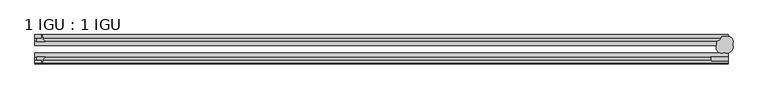
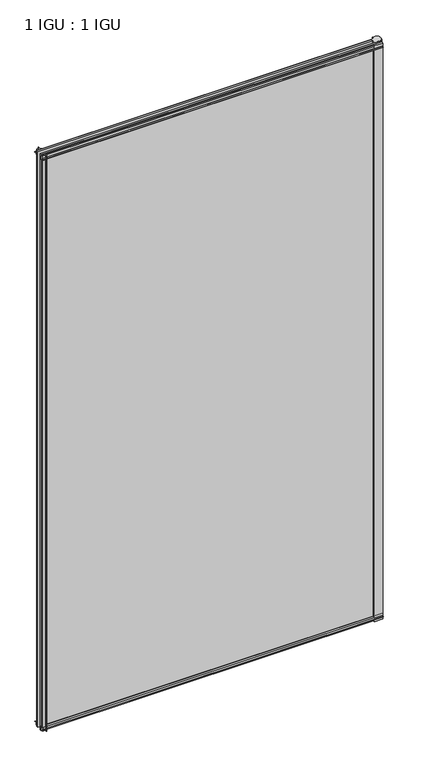
"""IFC4 building model written with IfcOpenShell, lengths in millimetres: plate geometry, 1 IGU : 1 IGU."""

from ifc_helpers import new_model, si_unit, point, frame, frame_2d, origin, place, context, project, spatial, polyline, circle_curve, ellipse_curve, trimmed, segment, composite_curve, outline, extrude, source, transform, mapped, element, save
from ifc_brep_helpers import plane_surface, revolved_surface, extruded_surface, advanced_brep


def plate_1_igu_1_igu_af21363e(model_context):
    return source(origin(), model_context, "Body", "SolidModel", [
        advanced_brep(
        [(575.8672371, -8.6320312, -11.1125), (587.3984483, -21.4885506, -11.1125), (573.7755432, -35.1420622, -11.1125), (561.0820313, -23.0370225, -11.1125), (561.0820313, -16.9195783, -11.1125), (569.1882293, -8.6320313, -11.1125), (575.8672371, -8.6320313, 2033.5875), (569.1882293, -8.6320313, 2033.5875), (561.0820313, -16.9195783, 2033.5875), (561.0820313, -23.0370225, 2033.5875), (573.7755432, -35.1420622, 2033.5875), (587.3984483, -21.4885506, 2033.5875)],
        [
            (0, 1, ellipse_curve(frame((578.4121282, -17.987304, -11.1125), z_axis=(0.0, 0.0, -1.0), x_axis=(0.7071067811865466, 0.7071067811865485, 0.0)), 10.1849898, 9.5495662)),
            (1, 2, ellipse_curve(frame((578.4121282, -26.1459836, -11.1125), z_axis=(0.0, 0.0, -1.0), x_axis=(0.7071067811865464, 0.7071067811865487, 0.0)), 10.1849898, 9.5495662)),
            (2, 3, ellipse_curve(frame((570.2190227, -26.1804094, -11.1125), z_axis=(0.0, 0.0, -1.0), x_axis=(-0.7071067811865506, -0.7071067811865445, 0.0)), 10.1849898, 9.5495662)),
            (3, 4),
            (4, 5, circle_curve(frame((559.3035778, -7.071859, -11.1125), z_axis=(0.0, 0.0, 1.0), x_axis=(1.0, 0.0, 0.0)), 10.0070211)),
            (5, 0),
            (6, 7),
            (7, 8, circle_curve(frame((559.3035778, -7.071859, 2033.5875), z_axis=(0.0, 0.0, -1.0), x_axis=(1.0, 0.0, 0.0)), 10.0070211)),
            (8, 9),
            (9, 10, ellipse_curve(frame((570.2190227, -26.1804094, 2033.5875), z_axis=(0.0, 0.0, 1.0), x_axis=(-0.7071067811865506, -0.7071067811865445, 0.0)), 10.1849898, 9.5495662)),
            (10, 11, ellipse_curve(frame((578.4121282, -26.1459836, 2033.5875), z_axis=(0.0, 0.0, 1.0), x_axis=(0.7071067811865464, 0.7071067811865487, 0.0)), 10.1849898, 9.5495662)),
            (11, 6, ellipse_curve(frame((578.4121282, -17.987304, 2033.5875), z_axis=(0.0, 0.0, 1.0), x_axis=(0.7071067811865466, 0.7071067811865485, 0.0)), 10.1849898, 9.5495662)),
            (0, 6),
            (11, 1),
            (10, 2),
            (9, 3),
            (8, 4),
            (7, 5),
        ],
        [
            plane_surface(frame((580.1320312, -9.6242188, -11.1125), z_axis=(0.0, 0.0, -1.0), x_axis=(0.0, 1.0, 0.0))),
            plane_surface(frame((580.1320312, -9.6242188, 2033.5875), z_axis=(0.0, 0.0, 1.0), x_axis=(0.0, 1.0, 0.0))),
            extruded_surface(trimmed(ellipse_curve(frame((578.4121282, -17.987304, 2033.5875), z_axis=(0.0, 0.0, -1.0), x_axis=(0.7071067811865466, 0.7071067811865485, 0.0)), 10.1849898, 9.5495662), [point((575.8672371, -8.6320312, 2033.5875))], [point((587.3984483, -21.4885506, 2033.5875))], True, "CARTESIAN"), (0.0, 0.0, -2044.7), 2044.7),
            extruded_surface(trimmed(ellipse_curve(frame((578.4121282, -26.1459836, 2033.5875), z_axis=(0.0, 0.0, -1.0), x_axis=(0.7071067811865464, 0.7071067811865487, 0.0)), 10.1849898, 9.5495662), [point((587.3984483, -21.4885506, 2033.5875))], [point((573.7755432, -35.1420622, 2033.5875))], True, "CARTESIAN"), (0.0, 0.0, -2044.7), 2044.7),
            extruded_surface(trimmed(ellipse_curve(frame((570.2190227, -26.1804094, 2033.5875), z_axis=(0.0, 0.0, -1.0), x_axis=(-0.7071067811865506, -0.7071067811865445, 0.0)), 10.1849898, 9.5495662), [point((573.7755432, -35.1420622, 2033.5875))], [point((561.0820313, -23.0370225, 2033.5875))], True, "CARTESIAN"), (0.0, 0.0, -2044.7), 2044.7),
            plane_surface(frame((561.0820313, -23.0370225, -11.1125), z_axis=(-1.0, 0.0, 0.0), x_axis=(0.0, 0.0, 1.0))),
            revolved_surface(polyline([(569.3105989, -7.071859, 2033.5875), (569.3105989, -7.071859, -11.1125)]), (559.3035778, -7.071859, -11.1125), (0.0, 0.0, 1.0)),
            plane_surface(frame((569.1882293, -8.6320313, -11.1125), z_axis=(0.0, 1.0, 0.0), x_axis=(0.0, 0.0, 1.0))),
        ],
        [
            (0, [[1, 2, 3, 4, 5, 6]]),
            (1, [[7, 8, 9, 10, 11, 12]]),
            (2, [[-1, 13, -12, 14]]),
            (3, [[-2, -14, -11, 15]]),
            (4, [[-3, -15, -10, 16]]),
            (5, [[-4, -16, -9, 17]]),
            (6, [[-5, -17, -8, 18]]),
            (7, [[-6, -18, -7, -13]]),
        ],
    ),
        extrude(outline(composite_curve([segment(polyline([(-42.3267187, -8.2068385), (-47.0892187, -8.2068385), (-47.0892187, 0.0), (-53.563779, 0.0)]), True, "CONTINUOUS"), segment(trimmed(circle_curve(frame_2d((-53.0328134, 0.3482823)), 0.635), [point((-53.563779, 0.0))], [point((-53.0575397, 0.9828007))], False, "CARTESIAN"), True, "CONTINUOUS"), segment(trimmed(circle_curve(frame_2d((-54.2310045, 31.0958559)), 30.1359106), [point((-53.0575397, 0.9828007))], [point((-47.0834032, 1.8198434))], True, "CARTESIAN"), True, "CONTINUOUS"), segment(trimmed(circle_curve(frame_2d((-48.2159797, 6.4587878)), 4.7752), [point((-47.0834032, 1.8198434))], [point((-43.578416, 5.3205707))], True, "CARTESIAN"), True, "CONTINUOUS"), segment(trimmed(circle_curve(frame_2d((-42.9617187, 5.169212)), 0.635), [point((-43.578416, 5.3205707))], [point((-42.3267187, 5.169212))], False, "CARTESIAN"), True, "CONTINUOUS"), segment(polyline([(-42.3267187, 5.169212), (-42.3267187, -8.2068385)]), True, "CONTINUOUS")], self_intersect=False)), frame((-563.5625, 0.0, 0.0), z_axis=(1.0, 0.0, 0.0), x_axis=(0.0, 1.0, 0.0)), (0.0, 0.0, 1.0), 1143.6945312),
        extrude(outline(composite_curve([segment(polyline([(-16.9267187, -8.2068385), (-16.9267187, 5.169212)]), True, "CONTINUOUS"), segment(trimmed(circle_curve(frame_2d((-16.2917187, 5.169212)), 0.635), [point((-16.9267187, 5.169212))], [point((-15.6750215, 5.3205707))], False, "CARTESIAN"), True, "CONTINUOUS"), segment(trimmed(circle_curve(frame_2d((-11.0374578, 6.4587878)), 4.7752), [point((-15.6750215, 5.3205707))], [point((-12.1700343, 1.8198434))], True, "CARTESIAN"), True, "CONTINUOUS"), segment(trimmed(circle_curve(frame_2d((-5.022433, 31.0958559)), 30.1359106), [point((-12.1700343, 1.8198434))], [point((-6.1958978, 0.9828007))], True, "CARTESIAN"), True, "CONTINUOUS"), segment(trimmed(circle_curve(frame_2d((-6.2206241, 0.3482823)), 0.635), [point((-6.1958978, 0.9828007))], [point((-5.6896585, 0.0))], False, "CARTESIAN"), True, "CONTINUOUS"), segment(polyline([(-5.6896585, 0.0), (-12.1642187, 0.0), (-12.1642187, -8.2068385), (-16.9267187, -8.2068385)]), True, "CONTINUOUS")], self_intersect=False)), frame((-563.5625, 0.0, 0.0), z_axis=(1.0, 0.0, 0.0), x_axis=(0.0, 1.0, 0.0)), (0.0, 0.0, 1.0), 1143.6945312),
        extrude(outline(composite_curve([segment(polyline([(-47.0892187, 2022.475), (-47.0892187, 2030.6818385), (-42.3267188, 2030.6818385), (-42.3267188, 2017.305788)]), True, "CONTINUOUS"), segment(trimmed(circle_curve(frame_2d((-42.9617187, 2017.305788)), 0.635), [point((-42.3267188, 2017.305788))], [point((-43.578416, 2017.1544293))], False, "CARTESIAN"), True, "CONTINUOUS"), segment(trimmed(circle_curve(frame_2d((-48.2159797, 2016.0162122)), 4.7752), [point((-43.578416, 2017.1544293))], [point((-47.0834032, 2020.6551566))], True, "CARTESIAN"), True, "CONTINUOUS"), segment(trimmed(circle_curve(frame_2d((-54.2310045, 1991.3791441)), 30.1359106), [point((-47.0834032, 2020.6551566))], [point((-53.0575397, 2021.4921993))], True, "CARTESIAN"), True, "CONTINUOUS"), segment(trimmed(circle_curve(frame_2d((-53.0328134, 2022.1267177)), 0.635), [point((-53.0575397, 2021.4921993))], [point((-53.563779, 2022.475))], False, "CARTESIAN"), True, "CONTINUOUS"), segment(polyline([(-53.563779, 2022.475), (-47.0892187, 2022.475)]), True, "CONTINUOUS")], self_intersect=False)), frame((-563.5625, 0.0, 0.0), z_axis=(1.0, 0.0, 0.0), x_axis=(0.0, 1.0, 0.0)), (0.0, 0.0, 1.0), 1143.6945312),
        extrude(outline(composite_curve([segment(polyline([(-12.1642187, 2022.475), (-5.6896585, 2022.475)]), True, "CONTINUOUS"), segment(trimmed(circle_curve(frame_2d((-6.2206241, 2022.1267177)), 0.635), [point((-5.6896585, 2022.475))], [point((-6.1958978, 2021.4921993))], False, "CARTESIAN"), True, "CONTINUOUS"), segment(trimmed(circle_curve(frame_2d((-5.022433, 1991.3791441)), 30.1359106), [point((-6.1958978, 2021.4921993))], [point((-12.1700343, 2020.6551566))], True, "CARTESIAN"), True, "CONTINUOUS"), segment(trimmed(circle_curve(frame_2d((-11.0374578, 2016.0162122)), 4.7752), [point((-12.1700343, 2020.6551566))], [point((-15.6750215, 2017.1544293))], True, "CARTESIAN"), True, "CONTINUOUS"), segment(trimmed(circle_curve(frame_2d((-16.2917187, 2017.305788)), 0.635), [point((-15.6750215, 2017.1544293))], [point((-16.9267187, 2017.305788))], False, "CARTESIAN"), True, "CONTINUOUS"), segment(polyline([(-16.9267187, 2017.305788), (-16.9267187, 2030.6818385), (-12.1642187, 2030.6818385), (-12.1642187, 2022.475)]), True, "CONTINUOUS")], self_intersect=False)), frame((-563.5625, 0.0, 0.0), z_axis=(1.0, 0.0, 0.0), x_axis=(0.0, 1.0, 0.0)), (0.0, 0.0, 1.0), 1143.6945312),
        extrude(outline(composite_curve([segment(polyline([(580.1320313, -42.3267187), (580.1320313, -48.6767187), (552.7434493, -48.6767187)]), True, "CONTINUOUS"), segment(trimmed(circle_curve(frame_2d((540.985255, -48.2428298)), 11.7661971), [point((552.7434493, -48.6767187))], [point((551.1559493, -42.3267187))], True, "CARTESIAN"), True, "CONTINUOUS"), segment(polyline([(551.1559493, -42.3267187), (580.1320313, -42.3267187)]), True, "CONTINUOUS")], self_intersect=False)), frame((0.0, 0.0, -11.1125), z_axis=(0.0, 0.0, 1.0), x_axis=(1.0, 0.0, 0.0)), (0.0, 0.0, 1.0), 2044.7),
        extrude(outline(composite_curve([segment(trimmed(circle_curve(frame_2d((-552.1017177, -6.2206241)), 0.635), [point((-552.45, -5.6896585))], [point((-551.4671993, -6.1958978))], False, "CARTESIAN"), True, "CONTINUOUS"), segment(trimmed(circle_curve(frame_2d((-521.3541441, -5.022433)), 30.1359106), [point((-551.4671993, -6.1958978))], [point((-550.6301566, -12.1700343))], True, "CARTESIAN"), True, "CONTINUOUS"), segment(trimmed(circle_curve(frame_2d((-545.9912122, -11.0374578)), 4.7752), [point((-550.6301566, -12.1700343))], [point((-547.1294293, -15.6750215))], True, "CARTESIAN"), True, "CONTINUOUS"), segment(trimmed(circle_curve(frame_2d((-547.280788, -16.2917187)), 0.635), [point((-547.1294293, -15.6750215))], [point((-547.280788, -16.9267187))], False, "CARTESIAN"), True, "CONTINUOUS"), segment(polyline([(-547.280788, -16.9267187), (-560.6568385, -16.9267187), (-560.6568385, -12.1642187), (-552.45, -12.1642187), (-552.45, -5.6896585)]), True, "CONTINUOUS")], self_intersect=False)), frame((0.0, 0.0, -11.1125), z_axis=(0.0, 0.0, 1.0), x_axis=(1.0, 0.0, 0.0)), (0.0, 0.0, 1.0), 2044.7),
        extrude(outline(composite_curve([segment(polyline([(-552.45, -53.563779), (-552.45, -47.0892187), (-560.6568385, -47.0892187), (-560.6568385, -42.3267188), (-547.280788, -42.3267188)]), True, "CONTINUOUS"), segment(trimmed(circle_curve(frame_2d((-547.280788, -42.9617187)), 0.635), [point((-547.280788, -42.3267188))], [point((-547.1294293, -43.578416))], False, "CARTESIAN"), True, "CONTINUOUS"), segment(trimmed(circle_curve(frame_2d((-545.9912122, -48.2159797)), 4.7752), [point((-547.1294293, -43.578416))], [point((-550.6301566, -47.0834032))], True, "CARTESIAN"), True, "CONTINUOUS"), segment(trimmed(circle_curve(frame_2d((-521.3541441, -54.2310045)), 30.1359106), [point((-550.6301566, -47.0834032))], [point((-551.4671993, -53.0575397))], True, "CARTESIAN"), True, "CONTINUOUS"), segment(trimmed(circle_curve(frame_2d((-552.1017177, -53.0328134)), 0.635), [point((-551.4671993, -53.0575397))], [point((-552.45, -53.563779))], False, "CARTESIAN"), True, "CONTINUOUS")], self_intersect=False)), frame((0.0, 0.0, -11.1125), z_axis=(0.0, 0.0, 1.0), x_axis=(1.0, 0.0, 0.0)), (0.0, 0.0, 1.0), 2044.7),
        extrude(outline(polyline([(561.0820312, -16.9267187), (561.0820312, -23.2259187), (-563.5625, -23.2259187), (-563.5625, -16.9267187), (561.0820312, -16.9267187)])), frame((0.0, 0.0, -11.1125), z_axis=(0.0, 0.0, 1.0), x_axis=(1.0, 0.0, 0.0)), (0.0, 0.0, 1.0), 2044.7),
        extrude(outline(polyline([(580.1320312, -36.0275187), (580.1320312, -42.3267187), (-563.5625, -42.3267187), (-563.5625, -36.0275187), (580.1320312, -36.0275187)])), frame((0.0, 0.0, -11.1125), z_axis=(0.0, 0.0, 1.0), x_axis=(1.0, 0.0, 0.0)), (0.0, 0.0, 1.0), 2044.7),
    ])


if __name__ == "__main__":
    model = new_model("IFC4")
    model_context = context("Model", 3, world=origin())
    ifc_project = project(units=[si_unit("LENGTHUNIT", "METRE", prefix="MILLI")], contexts=[model_context])
    site = spatial("IfcSite", under=ifc_project)
    building = spatial("IfcBuilding", under=site)
    placement = place(None, origin())
    plate_1_igu_1_igu_shape = plate_1_igu_1_igu_af21363e(model_context)
    element("IfcPlate", 1, ObjectType="1 IGU : 1 IGU", at=placement, inside=building, context=model_context, shape_type="MappedRepresentation", body=[
        mapped(plate_1_igu_1_igu_shape, transform((0.0, 0.0, 0.0), x_axis=(1.0, 0.0, 0.0), y_axis=(0.0, 1.0, 0.0), z_axis=(0.0, 0.0, 1.0))),
    ])
    save(model, "model.ifc")
